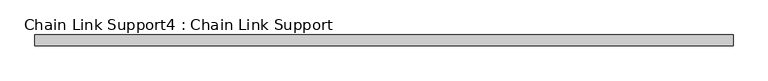
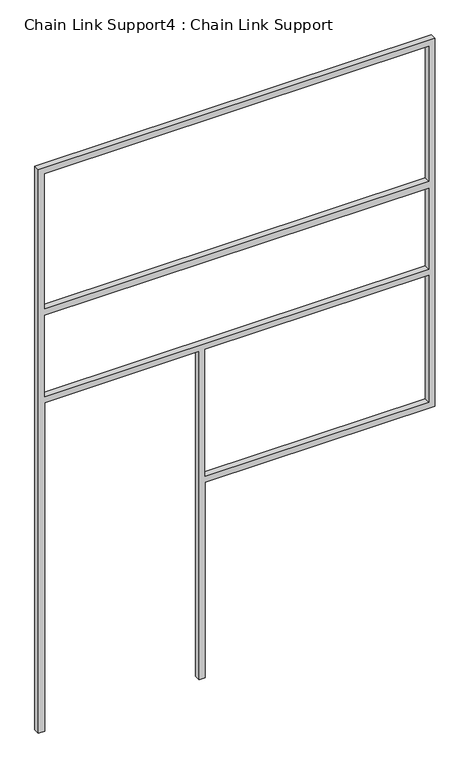
"""IFC4 building model written with IfcOpenShell, lengths in millimetres: proxy geometry, Chain Link Support4 : Chain Link Support."""

from ifc_helpers import new_model, si_unit, frame, origin, place, context, project, spatial, polyline, outline, extrude, source, transform, mapped, element, save


def chain_link_support4_chain_link_support_4b6a1f6d(model_context):
    return source(origin(), model_context, "Body", "SweptSolid", [
        extrude(outline(polyline([(3657.6, -21807.8618371), (0.0, -21807.8618371), (0.0, -21769.7618371), (2133.6, -21769.7618371), (2133.6, -20820.4368371), (0.0, -20820.4368371), (0.0, -20782.3368371), (1270.0, -20782.3368371), (1270.0, -19369.4618371), (3657.6, -19369.4618371), (3657.6, -21807.8618371)]), holes=[polyline([(2743.2, -21769.7618371), (3619.5, -21769.7618371), (3619.5, -19407.5618371), (2743.2, -19407.5618371), (2743.2, -21769.7618371)]), polyline([(1308.1, -19407.5618371), (1308.1, -20782.3368371), (2133.6, -20782.3368371), (2133.6, -19407.5618371), (1308.1, -19407.5618371)]), polyline([(2171.7, -21769.7618371), (2698.75, -21769.7618371), (2698.75, -19407.5618371), (2171.7, -19407.5618371), (2171.7, -21769.7618371)])]), frame((0.0, 17069.4163978, 0.0), z_axis=(0.0, 1.0, 0.0), x_axis=(0.0, 0.0, 1.0)), (0.0, 0.0, 1.0), 38.1),
    ])


if __name__ == "__main__":
    model = new_model("IFC4")
    model_context = context("Model", 3, world=origin())
    ifc_project = project(units=[si_unit("LENGTHUNIT", "METRE", prefix="MILLI")], contexts=[model_context])
    site = spatial("IfcSite", under=ifc_project)
    building = spatial("IfcBuilding", under=site)
    placement = place(None, origin())
    chain_link_support4_chain_link_support_shape = chain_link_support4_chain_link_support_4b6a1f6d(model_context)
    element("IfcBuildingElementProxy", 1, Name="Chain Link Support4 : Chain Link Support", ObjectType="Chain Link Support4 : Chain Link Support", at=placement, inside=building, context=model_context, shape_type="MappedRepresentation", body=[
        mapped(chain_link_support4_chain_link_support_shape, transform((0.0, 0.0, 0.0), x_axis=(1.0, 0.0, 0.0), y_axis=(0.0, 1.0, 0.0), z_axis=(0.0, 0.0, 1.0))),
    ])
    save(model, "model.ifc")
